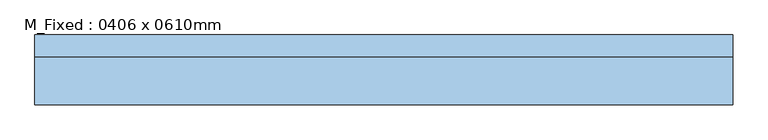
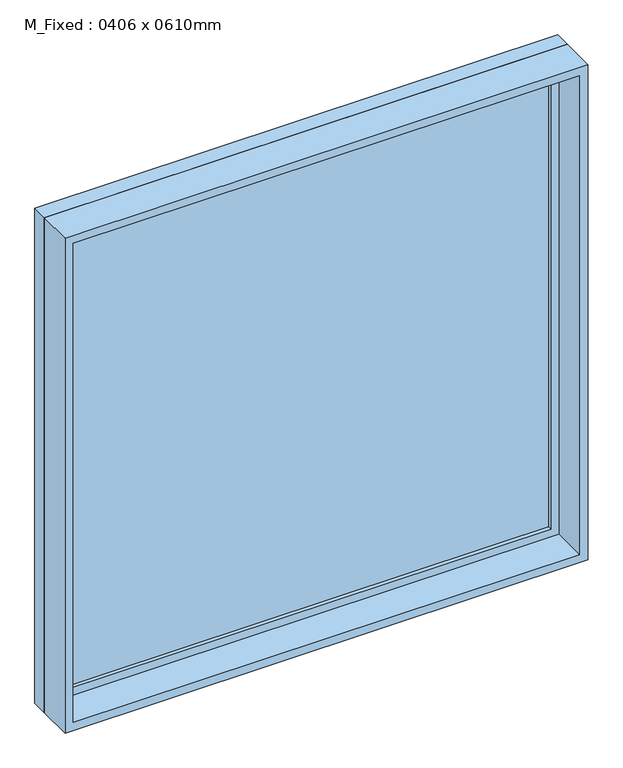
"""IFC4 building model written with IfcOpenShell, lengths in millimetres: window geometry, M_Fixed : 0406 x 0610mm."""

from ifc_helpers import new_model, si_unit, frame, origin, place, context, project, spatial, polyline, outline, extrude, source, transform, mapped, element, save


def m_fixed_0406_x_0610mm_66b00e6a(model_context):
    return source(origin(), model_context, "Body", "SweptSolid", [
        extrude(outline(polyline([(-937.0, 78.0), (937.0, 78.0), (937.0, 66.0), (-937.0, 66.0), (-937.0, 78.0)])), frame((0.0, 0.0, 978.0), z_axis=(0.0, 0.0, 1.0), x_axis=(1.0, 0.0, 0.0)), (0.0, 0.0, 1.0), 1874.0),
        extrude(outline(polyline([(2896.0, -981.0), (934.0, -981.0), (934.0, 981.0), (2896.0, 981.0), (2896.0, -981.0)]), holes=[polyline([(2852.0, -937.0), (2852.0, 937.0), (978.0, 937.0), (978.0, -937.0), (2852.0, -937.0)])]), frame((0.0, 50.0, 0.0), z_axis=(0.0, 1.0, 0.0), x_axis=(0.0, 0.0, 1.0)), (0.0, 0.0, 1.0), 44.0),
        extrude(outline(polyline([(2915.0, -1000.0), (915.0, -1000.0), (915.0, 1000.0), (2915.0, 1000.0), (2915.0, -1000.0)]), holes=[polyline([(2896.0, -981.0), (2896.0, 981.0), (934.0, 981.0), (934.0, -981.0), (2896.0, -981.0)])]), frame((0.0, 50.0, 0.0), z_axis=(0.0, 1.0, 0.0), x_axis=(0.0, 0.0, 1.0)), (0.0, 0.0, 1.0), 63.0),
        extrude(outline(polyline([(2915.0, -1000.0), (915.0, -1000.0), (915.0, 1000.0), (2915.0, 1000.0), (2915.0, -1000.0)]), holes=[polyline([(2883.0, -968.0), (2883.0, 968.0), (947.0, 968.0), (947.0, -968.0), (2883.0, -968.0)])]), frame((0.0, -87.0, 0.0), z_axis=(0.0, 1.0, 0.0), x_axis=(0.0, 0.0, 1.0)), (0.0, 0.0, 1.0), 137.0),
    ])


if __name__ == "__main__":
    model = new_model("IFC4")
    model_context = context("Model", 3, world=origin())
    ifc_project = project(units=[si_unit("LENGTHUNIT", "METRE", prefix="MILLI")], contexts=[model_context])
    site = spatial("IfcSite", under=ifc_project)
    building = spatial("IfcBuilding", under=site)
    placement = place(None, origin())
    m_fixed_0406_x_0610mm_shape = m_fixed_0406_x_0610mm_66b00e6a(model_context)
    element("IfcWindow", 1, ObjectType="M_Fixed : 0406 x 0610mm", at=placement, inside=building, context=model_context, shape_type="MappedRepresentation", body=[
        mapped(m_fixed_0406_x_0610mm_shape, transform((0.0, 0.0, 0.0), x_axis=(1.0, 0.0, 0.0), y_axis=(0.0, 1.0, 0.0), z_axis=(0.0, 0.0, 1.0))),
    ])
    save(model, "model.ifc")
